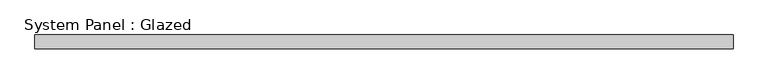
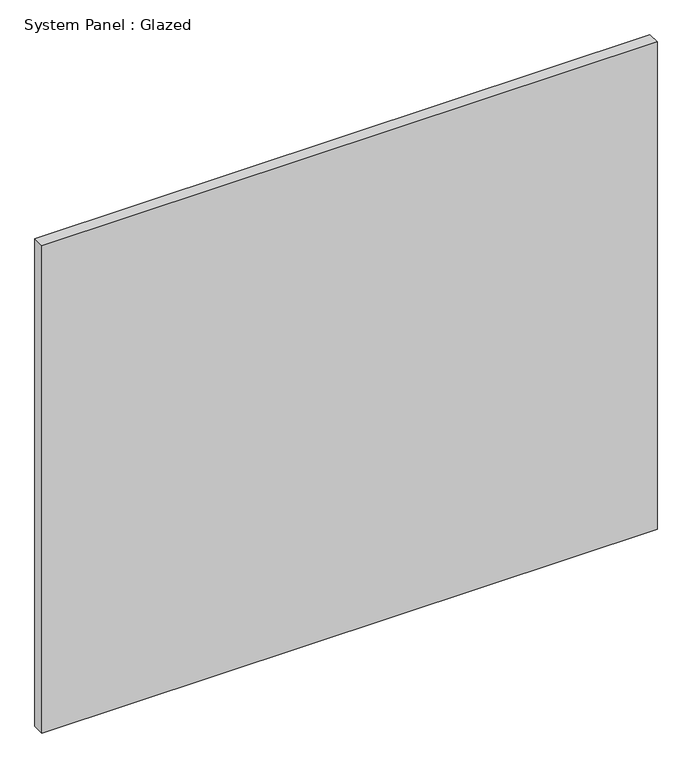
"""IFC4 building model written with IfcOpenShell, lengths in millimetres: plate geometry, System Panel : Glazed."""

import ifcopenshell
import ifcopenshell.guid

model = None  # the IFC model being written
_history = None  # IfcOwnerHistory: only IFC2X3 demands one
_inside = {}  # id of a spatial element -> (the spatial element, [elements in it])
_under = {}  # id of a project, library or spatial element -> (it, [spatial elements below it])
_declared = {}  # id of a project -> (the project, [libraries it declares])
_typed = {}  # id of a type object -> (the type object, [elements of that type])
_made_of = {}  # id of a material, layer set ... -> (it, [elements and type objects made of it])


def new_model(schema):
    """Start an empty IFC model of exactly this schema.

    Asked for "IFC4X3", IfcOpenShell would pick the latest addendum, in which some entities
    have other attributes; the version numbers below select the first issue.
    IFC2X3 requires an IfcOwnerHistory on every rooted entity: one is made here for all.
    """
    global model, _history
    if schema == "IFC4X3":
        model = ifcopenshell.file(schema_version=(4, 3, 0, 0))
    else:
        model = ifcopenshell.file(schema=schema)
    _inside.clear()
    _under.clear()
    _declared.clear()
    _typed.clear()
    _made_of.clear()
    _history = None
    if model.schema == "IFC2X3":
        org = make("IfcOrganization", Name="unknown")
        user = make(
            "IfcPersonAndOrganization",
            ThePerson=make("IfcPerson", FamilyName="unknown"),
            TheOrganization=org,
        )
        app = make(
            "IfcApplication",
            ApplicationDeveloper=org,
            Version="unknown",
            ApplicationFullName="unknown",
            ApplicationIdentifier="unknown",
        )
        _history = make(
            "IfcOwnerHistory",
            OwningUser=user,
            OwningApplication=app,
            ChangeAction="ADDED",
            CreationDate=0,
        )
    return model


def make(cls, **values):
    """One entity of the class cls with the attributes given. An attribute that is None is left unset."""
    return model.create_entity(
        cls, **{name: value for name, value in values.items() if value is not None}
    )


def rooted(cls, **values):
    """An entity with a GlobalId (a new one), such as an element, a storey or a relation."""
    return make(cls, GlobalId=ifcopenshell.guid.new(), OwnerHistory=_history, **values)


def si_unit(unit_type, name, prefix=None):
    """IfcSIUnit, for example si_unit("LENGTHUNIT", "METRE", prefix="MILLI")."""
    return make("IfcSIUnit", UnitType=unit_type, Prefix=prefix, Name=name)


def assignment(units):
    """IfcUnitAssignment: the units of a project."""
    return None if units is None else make("IfcUnitAssignment", Units=units)


def point(xyz):
    """IfcCartesianPoint."""
    return None if xyz is None else make("IfcCartesianPoint", Coordinates=xyz)


def direction(xyz):
    """IfcDirection."""
    return None if xyz is None else make("IfcDirection", DirectionRatios=xyz)


def frame(location, z_axis=None, x_axis=None):
    """IfcAxis2Placement3D, a coordinate frame: its origin and axes. An axis left out is left unset."""
    return make(
        "IfcAxis2Placement3D",
        Location=point(location),
        Axis=direction(z_axis),
        RefDirection=direction(x_axis),
    )


def origin():
    """The frame at (0, 0, 0) with its axes left unset."""
    return frame((0.0, 0.0, 0.0))


def origin_with_axes():
    """The frame at (0, 0, 0) with the z axis (0, 0, 1) and the x axis (1, 0, 0) written out."""
    return frame((0.0, 0.0, 0.0), z_axis=(0.0, 0.0, 1.0), x_axis=(1.0, 0.0, 0.0))


def place(relative_to, where):
    """IfcLocalPlacement: puts the frame where relative to a parent placement (None: the world)."""
    return make(
        "IfcLocalPlacement", PlacementRelTo=relative_to, RelativePlacement=where
    )


def context(
    kind, dimensions, precision=None, world=None, true_north=None, identifier=None
):
    """IfcGeometricRepresentationContext, for example the 3D "Model" context."""
    return make(
        "IfcGeometricRepresentationContext",
        ContextIdentifier=identifier,
        ContextType=kind,
        CoordinateSpaceDimension=dimensions,
        Precision=precision,
        WorldCoordinateSystem=world,
        TrueNorth=true_north,
    )


def project(units=None, contexts=None):
    """IfcProject with its units and contexts."""
    return rooted(
        "IfcProject",
        Name="project",
        RepresentationContexts=contexts,
        UnitsInContext=assignment(units),
    )


def spatial(cls, under=None, at=None, **own):
    """A site, building, storey or space (cls), placed at a placement, below another one or the project."""
    s = rooted(cls, ObjectPlacement=at, **own)
    if under is not None:
        _under.setdefault(under.id(), (under, []))[1].append(s)
    return s


def polyline(points):
    """IfcPolyline through the points."""
    return make("IfcPolyline", Points=[point(p) for p in points])


def outline(outer, holes=None, kind="AREA"):
    """IfcArbitraryClosedProfileDef: a profile drawn as a closed curve; with holes, ...WithVoids."""
    if holes is None:
        return make("IfcArbitraryClosedProfileDef", ProfileType=kind, OuterCurve=outer)
    return make(
        "IfcArbitraryProfileDefWithVoids",
        ProfileType=kind,
        OuterCurve=outer,
        InnerCurves=holes,
    )


def extrude(swept, where, along, depth):
    """IfcExtrudedAreaSolid: the profile swept, set in the frame where, extruded along a direction by depth."""
    return make(
        "IfcExtrudedAreaSolid",
        SweptArea=swept,
        Position=where,
        ExtrudedDirection=direction(along),
        Depth=depth,
    )


def shape(context_of_items, identifier, shape_type, items):
    """IfcShapeRepresentation: the items that make up one representation, for example the "Body"."""
    return make(
        "IfcShapeRepresentation",
        ContextOfItems=context_of_items,
        RepresentationIdentifier=identifier,
        RepresentationType=shape_type,
        Items=items,
    )


def source(mapping_origin, context_of_items, identifier, shape_type, items):
    """IfcRepresentationMap: a shape defined once, which mapped items show again and again."""
    return make(
        "IfcRepresentationMap",
        MappingOrigin=mapping_origin,
        MappedRepresentation=shape(context_of_items, identifier, shape_type, items),
    )


def transform(
    local_origin,
    x_axis=None,
    y_axis=None,
    z_axis=None,
    scale=None,
    scale2=None,
    scale3=None,
    uniform=True,
):
    """IfcCartesianTransformationOperator3D, or its non-uniform kind. x_axis, y_axis, z_axis: its Axis1, 2, 3."""
    if uniform:
        return make(
            "IfcCartesianTransformationOperator3D",
            Axis1=direction(x_axis),
            Axis2=direction(y_axis),
            LocalOrigin=point(local_origin),
            Scale=scale,
            Axis3=direction(z_axis),
        )
    return make(
        "IfcCartesianTransformationOperator3DnonUniform",
        Axis1=direction(x_axis),
        Axis2=direction(y_axis),
        LocalOrigin=point(local_origin),
        Scale=scale,
        Axis3=direction(z_axis),
        Scale2=scale2,
        Scale3=scale3,
    )


def mapped(mapping_source, mapping_target):
    """IfcMappedItem: shows the shape of a source again, moved by a transform."""
    return make(
        "IfcMappedItem", MappingSource=mapping_source, MappingTarget=mapping_target
    )


def made_of(thing, what):
    """Note that an element or type object is made of a material, layer set ...; save() writes the relation."""
    if what is not None:
        _made_of.setdefault(what.id(), (what, []))[1].append(thing)
    return thing


def element(
    cls,
    number,
    at=None,
    inside=None,
    cuts=None,
    type_object=None,
    material=None,
    context=None,
    identifier="Body",
    shape_type=None,
    held_by="IfcProductDefinitionShape",
    body=None,
    shapes=None,
    **own,
):
    """One element of the class cls, such as IfcWall. Its Tag is "e" and its number.

    at: its placement. inside: the storey or other place that contains it. cuts: it is an
    opening in that element (IfcRelVoidsElement). A single representation is given by context,
    identifier, shape_type and body (its items); several are given by shapes. held_by: the class
    of the entity that holds the representations. save() writes the other relations.
    """
    e = rooted(cls, Tag="e%d" % number, ObjectPlacement=at, **own)
    if body is not None:
        shapes = [shape(context, identifier, shape_type, body)]
    if shapes is not None:
        e.Representation = make(held_by, Representations=shapes)
    if inside is not None:
        _inside.setdefault(inside.id(), (inside, []))[1].append(e)
    if cuts is not None:
        rooted(
            "IfcRelVoidsElement", RelatingBuildingElement=cuts, RelatedOpeningElement=e
        )
    if type_object is not None:
        _typed.setdefault(type_object.id(), (type_object, []))[1].append(e)
    return made_of(e, material)


def aggregate(whole, parts):
    """IfcRelAggregates: a whole, such as a stair, and the parts it consists of."""
    return rooted("IfcRelAggregates", RelatingObject=whole, RelatedObjects=parts)


def save(model, path):
    """Write the relations noted so far, then the file.

    IfcRelAggregates (storeys below a building ...), IfcRelContainedInSpatialStructure (elements
    in a storey), IfcRelDefinesByType, IfcRelAssociatesMaterial and IfcRelDeclares: one each for
    every whole, place, type object, material and project.
    """
    for whole, parts in _under.values():
        aggregate(whole, parts)
    for where, things in _inside.values():
        rooted(
            "IfcRelContainedInSpatialStructure",
            RelatedElements=things,
            RelatingStructure=where,
        )
    for kind, things in _typed.values():
        rooted("IfcRelDefinesByType", RelatedObjects=things, RelatingType=kind)
    for what, things in _made_of.values():
        rooted("IfcRelAssociatesMaterial", RelatedObjects=things, RelatingMaterial=what)
    for by, libraries in _declared.values():
        rooted("IfcRelDeclares", RelatingContext=by, RelatedDefinitions=libraries)
    model.write(path)


def system_panel_glazed_d99437c2(model_context):
    return source(origin(), model_context, "Body", "SweptSolid", [
        extrude(outline(polyline([(636.5534677, -12.7), (-636.5534677, -12.7), (-636.5534677, 12.7), (636.5534677, 12.7), (636.5534677, -12.7)])), origin_with_axes(), (0.0, 0.0, 1.0), 1066.8),
    ])


if __name__ == "__main__":
    model = new_model("IFC4")
    model_context = context("Model", 3, world=origin())
    ifc_project = project(units=[si_unit("LENGTHUNIT", "METRE", prefix="MILLI")], contexts=[model_context])
    site = spatial("IfcSite", under=ifc_project)
    building = spatial("IfcBuilding", under=site)
    placement = place(None, origin())
    system_panel_glazed_shape = system_panel_glazed_d99437c2(model_context)
    element("IfcPlate", 1, ObjectType="System Panel : Glazed", at=placement, inside=building, context=model_context, shape_type="MappedRepresentation", body=[
        mapped(system_panel_glazed_shape, transform((0.0, 0.0, 0.0), x_axis=(1.0, 0.0, 0.0), y_axis=(0.0, 1.0, 0.0), z_axis=(0.0, 0.0, 1.0))),
    ])
    save(model, "model.ifc")
